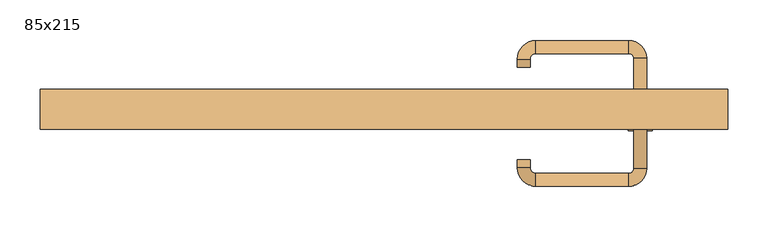
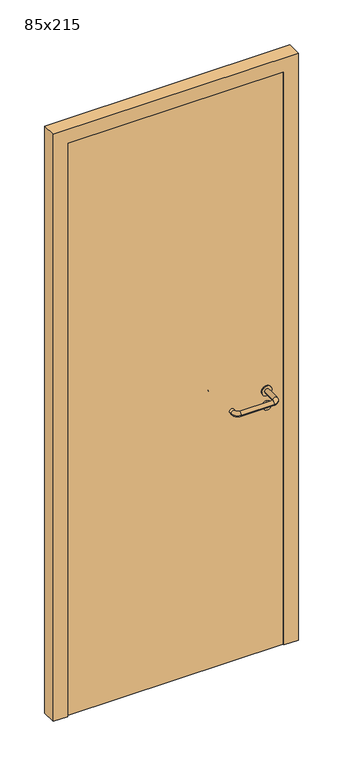
"""IFC4 building model written with IfcOpenShell, lengths in millimetres: door geometry, 85x215."""

from ifc_helpers import new_model, si_unit, point, frame, frame_2d, origin, origin_with_axes, place, context, project, spatial, polyline, circle_curve, ellipse_curve, trimmed, segment, composite_curve, outline, extrude, source, transform, mapped, element, save
from ifc_brep_helpers import plane_surface, cylinder_surface, revolved_surface, advanced_brep


def door_85x215_07e06c30(model_context):
    return source(origin(), model_context, "Body", "SolidModel", [
        extrude(outline(composite_curve([segment(trimmed(circle_curve(frame_2d((897.3605726, 317.0)), 15.0), [point((897.3605726, 332.0))], [point((897.3605726, 302.0))], False, "CARTESIAN"), True, "CONTINUOUS"), segment(trimmed(circle_curve(frame_2d((897.3605726, 317.0)), 15.0), [point((897.3605726, 302.0))], [point((897.3605726, 332.0))], False, "CARTESIAN"), True, "CONTINUOUS")], self_intersect=False), holes=[composite_curve([segment(trimmed(circle_curve(frame_2d((892.5833211, 316.9398032)), 2.0), [point((892.5833211, 318.9398032))], [point((892.5833211, 314.9398032))], True, "CARTESIAN"), True, "CONTINUOUS"), segment(polyline([(892.5833211, 314.9398032), (902.5833211, 314.9398032)]), True, "CONTINUOUS"), segment(trimmed(circle_curve(frame_2d((902.5833211, 316.9398032)), 2.0), [point((902.5833211, 314.9398032))], [point((902.5833211, 318.9398032))], True, "CARTESIAN"), True, "CONTINUOUS"), segment(polyline([(902.5833211, 318.9398032), (892.5833211, 318.9398032)]), True, "CONTINUOUS")], self_intersect=False)]), frame((0.0, -40.0, 0.0), z_axis=(0.0, 1.0, 0.0), x_axis=(0.0, 0.0, 1.0)), (0.0, 0.0, 1.0), 6.35),
        extrude(outline(composite_curve([segment(trimmed(circle_curve(frame_2d((950.0, 317.0)), 17.526), [point((950.0, 334.526))], [point((950.0, 299.474))], False, "CARTESIAN"), True, "CONTINUOUS"), segment(trimmed(circle_curve(frame_2d((950.0, 317.0)), 17.526), [point((950.0, 299.474))], [point((950.0, 334.526))], False, "CARTESIAN"), True, "CONTINUOUS")], self_intersect=False)), frame((0.0, -40.0, 0.0), z_axis=(0.0, 1.0, 0.0), x_axis=(0.0, 0.0, 1.0)), (0.0, 0.0, 1.0), 3.175),
        advanced_brep(
        [(325.0, -40.0, 950.0), (309.0, -40.0, 950.0), (325.0, 13.0, 950.0), (309.0, 13.0, 950.0), (302.8578644, 19.1421356, 950.0), (302.8578644, 35.1421356, 950.0), (187.8578644, 35.1421356, 950.0), (187.8578644, 19.1421356, 950.0), (181.008622, 12.2928932, 950.0), (165.008622, 12.2928932, 950.0), (165.008622, 2.2928932, 950.0), (181.008622, 2.2928932, 950.0)],
        [
            (0, 1, circle_curve(frame((317.0, -40.0, 950.0), z_axis=(0.0, -1.0, 0.0), x_axis=(-1.0, 0.0, 0.0)), 8.0)),
            (1, 0, circle_curve(frame((317.0, -40.0, 950.0), z_axis=(0.0, -1.0, 0.0), x_axis=(-1.0, 0.0, 0.0)), 8.0)),
            (0, 2),
            (2, 3, circle_curve(frame((317.0, 13.0, 950.0), z_axis=(0.0, -1.0, 0.0), x_axis=(-1.0, 0.0, 0.0)), 8.0)),
            (3, 1),
            (3, 2, circle_curve(frame((317.0, 13.0, 950.0), z_axis=(0.0, -1.0, 0.0), x_axis=(-1.0, 0.0, 0.0)), 8.0)),
            (4, 3, circle_curve(frame((302.8578644, 13.0, 950.0), z_axis=(0.0, 0.0, -1.0), x_axis=(1.0, 0.0, 0.0)), 6.1421356)),
            (2, 5, circle_curve(frame((302.8578644, 13.0, 950.0), z_axis=(0.0, 0.0, 1.0), x_axis=(1.0, 0.0, 0.0)), 22.1421356)),
            (5, 4, circle_curve(frame((302.8578644, 27.1421356, 950.0), z_axis=(1.0, 0.0, 0.0), x_axis=(0.0, -1.0, 0.0)), 8.0)),
            (4, 5, circle_curve(frame((302.8578644, 27.1421356, 950.0), z_axis=(1.0, 0.0, 0.0), x_axis=(0.0, -1.0, 0.0)), 8.0)),
            (5, 6),
            (6, 7, circle_curve(frame((187.8578644, 27.1421356, 950.0), z_axis=(1.0, 0.0, 0.0), x_axis=(0.0, -1.0, 0.0)), 8.0)),
            (7, 4),
            (7, 6, circle_curve(frame((187.8578644, 27.1421356, 950.0), z_axis=(1.0, 0.0, 0.0), x_axis=(0.0, -1.0, 0.0)), 8.0)),
            (8, 7, circle_curve(frame((187.8578644, 12.2928932, 950.0), z_axis=(0.0, 0.0, -1.0), x_axis=(0.0, 1.0, 0.0)), 6.8492424)),
            (6, 9, circle_curve(frame((187.8578644, 12.2928932, 950.0), z_axis=(0.0, 0.0, 1.0), x_axis=(0.0, 1.0, 0.0)), 22.8492424)),
            (9, 8, circle_curve(frame((173.008622, 12.2928932, 950.0), z_axis=(0.0, 1.0, 0.0), x_axis=(1.0, 0.0, 0.0)), 8.0)),
            (8, 9, circle_curve(frame((173.008622, 12.2928932, 950.0), z_axis=(0.0, 1.0, 0.0), x_axis=(1.0, 0.0, 0.0)), 8.0)),
            (10, 11, circle_curve(frame((173.008622, 2.2928932, 950.0), z_axis=(0.0, -1.0, 0.0), x_axis=(1.0, 0.0, 0.0)), 8.0)),
            (11, 10, circle_curve(frame((173.008622, 2.2928932, 950.0), z_axis=(0.0, -1.0, 0.0), x_axis=(1.0, 0.0, 0.0)), 8.0)),
            (9, 10),
            (11, 8),
        ],
        [
            plane_surface(frame((317.0, -40.0, 170.0), z_axis=(0.0, -1.0, 0.0), x_axis=(0.0, 0.0, 1.0))),
            cylinder_surface(frame((317.0, -40.0, 950.0), z_axis=(0.0, -1.0, 0.0), x_axis=(-1.0, 0.0, 0.0)), 8.0),
            revolved_surface(trimmed(ellipse_curve(frame((317.0, 13.0, 950.0), z_axis=(0.0, -1.0, 0.0), x_axis=(-1.0, 0.0, 0.0)), 8.0, 8.0), [point((325.0, 13.0, 950.0))], [point((309.0, 13.0, 950.0))], True, "CARTESIAN"), (302.8578644, 13.0, 170.0), (0.0, 0.0, 1.0)),
            revolved_surface(trimmed(ellipse_curve(frame((317.0, 13.0, 950.0), z_axis=(0.0, -1.0, 0.0), x_axis=(-1.0, 0.0, 0.0)), 8.0, 8.0), [point((309.0, 13.0, 950.0))], [point((325.0, 13.0, 950.0))], True, "CARTESIAN"), (302.8578644, 13.0, 170.0), (0.0, 0.0, 1.0)),
            cylinder_surface(frame((302.8578644, 27.1421356, 950.0), z_axis=(1.0, 0.0, 0.0), x_axis=(0.0, -1.0, 0.0)), 8.0),
            revolved_surface(trimmed(ellipse_curve(frame((187.8578644, 27.1421356, 950.0), z_axis=(1.0, 0.0, 0.0), x_axis=(0.0, -1.0, 0.0)), 8.0, 8.0), [point((187.8578644, 35.1421356, 950.0))], [point((187.8578644, 19.1421356, 950.0))], True, "CARTESIAN"), (187.8578644, 12.2928932, 170.0), (0.0, 0.0, 1.0)),
            revolved_surface(trimmed(ellipse_curve(frame((187.8578644, 27.1421356, 950.0), z_axis=(1.0, 0.0, 0.0), x_axis=(0.0, -1.0, 0.0)), 8.0, 8.0), [point((187.8578644, 19.1421356, 950.0))], [point((187.8578644, 35.1421356, 950.0))], True, "CARTESIAN"), (187.8578644, 12.2928932, 170.0), (0.0, 0.0, 1.0)),
            plane_surface(frame((173.008622, 2.2928932, 170.0), z_axis=(0.0, -1.0, 0.0), x_axis=(0.0, 0.0, 1.0))),
            cylinder_surface(frame((173.008622, 12.2928932, 950.0), z_axis=(0.0, 1.0, 0.0), x_axis=(1.0, 0.0, 0.0)), 8.0),
        ],
        [
            (0, [[1, 2]]),
            (1, [[-1, 3, 4, 5]]),
            (1, [[-2, -5, 6, -3]]),
            (2, [[7, -4, 8, 9]]),
            (3, [[-8, -6, -7, 10]]),
            (4, [[-9, 11, 12, 13]]),
            (4, [[-10, -13, 14, -11]]),
            (5, [[15, -12, 16, 17]]),
            (6, [[-16, -14, -15, 18]]),
            (7, [[19, 20]]),
            (8, [[-17, 21, -20, 22]]),
            (8, [[-18, -22, -19, -21]]),
        ],
    ),
        extrude(outline(composite_curve([segment(trimmed(circle_curve(frame_2d((0.0, 15.0)), 15.0), [point((0.0, 30.0))], [point((0.0, 0.0))], False, "CARTESIAN"), True, "CONTINUOUS"), segment(trimmed(circle_curve(frame_2d((0.0, 15.0)), 15.0), [point((0.0, 0.0))], [point((0.0, 30.0))], False, "CARTESIAN"), True, "CONTINUOUS")], self_intersect=False), holes=[composite_curve([segment(trimmed(circle_curve(frame_2d((-4.7772515, 14.9398032)), 2.0), [point((-4.7772515, 16.9398032))], [point((-4.7772515, 12.9398032))], True, "CARTESIAN"), True, "CONTINUOUS"), segment(polyline([(-4.7772515, 12.9398032), (5.2227485, 12.9398032)]), True, "CONTINUOUS"), segment(trimmed(circle_curve(frame_2d((5.2227485, 14.9398032)), 2.0), [point((5.2227485, 12.9398032))], [point((5.2227485, 16.9398032))], True, "CARTESIAN"), True, "CONTINUOUS"), segment(polyline([(5.2227485, 16.9398032), (-4.7772515, 16.9398032)]), True, "CONTINUOUS")], self_intersect=False)]), frame((302.0, -76.35, 897.3605726), z_axis=(-1.8870575173328306e-12, 1.0, 0.0), x_axis=(0.0, 0.0, 1.0)), (0.0, 0.0, 1.0), 6.35),
        extrude(outline(composite_curve([segment(trimmed(circle_curve(frame_2d((0.0, 17.526)), 17.526), [point((0.0, 35.052))], [point((0.0, 0.0))], False, "CARTESIAN"), True, "CONTINUOUS"), segment(trimmed(circle_curve(frame_2d((0.0, 17.526)), 17.526), [point((0.0, 0.0))], [point((0.0, 35.052))], False, "CARTESIAN"), True, "CONTINUOUS")], self_intersect=False)), frame((299.474, -73.175, 950.0), z_axis=(-1.8870575173328306e-12, 1.0, 0.0), x_axis=(0.0, 0.0, 1.0)), (0.0, 0.0, 1.0), 3.175),
        advanced_brep(
        [(325.0, -70.0, 950.0), (309.0, -70.0, 950.0), (309.0, -123.0, 950.0), (325.0, -123.0, 950.0), (302.8578644, -129.1421356, 950.0), (302.8578644, -145.1421356, 950.0), (187.8578644, -129.1421356, 950.0), (187.8578644, -145.1421356, 950.0), (181.008622, -122.2928932, 950.0), (165.008622, -122.2928932, 950.0), (165.008622, -112.2928932, 950.0), (181.008622, -112.2928932, 950.0)],
        [
            (0, 1, circle_curve(frame((317.0, -70.0, 950.0), z_axis=(-1.888672253512351e-12, 1.0, 0.0), x_axis=(-1.0, -1.888672253512351e-12, 0.0)), 8.0)),
            (1, 0, circle_curve(frame((317.0, -70.0, 950.0), z_axis=(-1.888672253512351e-12, 1.0, 0.0), x_axis=(-1.0, -1.888672253512351e-12, 0.0)), 8.0)),
            (1, 2),
            (2, 3, circle_curve(frame((317.0, -123.0, 950.0), z_axis=(-1.888672253512351e-12, 1.0, 0.0), x_axis=(-1.0, -1.888672253512351e-12, 0.0)), 8.0)),
            (3, 0),
            (3, 2, circle_curve(frame((317.0, -123.0, 950.0), z_axis=(-1.888672253512351e-12, 1.0, 0.0), x_axis=(-1.0, -1.888672253512351e-12, 0.0)), 8.0)),
            (4, 5, circle_curve(frame((302.8578644, -137.1421356, 950.0), z_axis=(1.0, 1.913702061528922e-12, 0.0), x_axis=(-1.913702061528922e-12, 1.0, 0.0)), 8.0)),
            (5, 3, circle_curve(frame((302.8578644, -123.0, 950.0), z_axis=(0.0, 0.0, 1.0), x_axis=(1.0, 1.880717803715015e-12, 0.0)), 22.1421356)),
            (2, 4, circle_curve(frame((302.8578644, -123.0, 950.0), z_axis=(0.0, 0.0, -1.0), x_axis=(1.0, 1.880717803715015e-12, 0.0)), 6.1421356)),
            (5, 4, circle_curve(frame((302.8578644, -137.1421356, 950.0), z_axis=(1.0, 1.913702061528922e-12, 0.0), x_axis=(-1.913702061528922e-12, 1.0, 0.0)), 8.0)),
            (4, 6),
            (6, 7, circle_curve(frame((187.8578644, -137.1421356, 950.0), z_axis=(1.0, 1.913719828541269e-12, 0.0), x_axis=(-1.913719828541269e-12, 1.0, 0.0)), 8.0)),
            (7, 5),
            (7, 6, circle_curve(frame((187.8578644, -137.1421356, 950.0), z_axis=(1.0, 1.913719828541269e-12, 0.0), x_axis=(-1.913719828541269e-12, 1.0, 0.0)), 8.0)),
            (8, 9, circle_curve(frame((173.008622, -122.2928932, 950.0), z_axis=(1.890226565746826e-12, -1.0, 0.0), x_axis=(1.0, 1.890226565746826e-12, 0.0)), 8.0)),
            (9, 7, circle_curve(frame((187.8578644, -122.2928932, 950.0), z_axis=(0.0, 0.0, 1.0), x_axis=(1.9120873253494017e-12, -1.0, 0.0)), 22.8492424)),
            (6, 8, circle_curve(frame((187.8578644, -122.2928932, 950.0), z_axis=(0.0, 0.0, -1.0), x_axis=(1.9120873253494017e-12, -1.0, 0.0)), 6.8492424)),
            (9, 8, circle_curve(frame((173.008622, -122.2928932, 950.0), z_axis=(1.890670654956676e-12, -1.0, 0.0), x_axis=(1.0, 1.890670654956676e-12, 0.0)), 8.0)),
            (10, 11, circle_curve(frame((173.008622, -112.2928932, 950.0), z_axis=(-1.8903642334018795e-12, 1.0, 0.0), x_axis=(1.0, 1.8903642334018795e-12, 0.0)), 8.0)),
            (11, 10, circle_curve(frame((173.008622, -112.2928932, 950.0), z_axis=(-1.8903642334018795e-12, 1.0, 0.0), x_axis=(1.0, 1.8903642334018795e-12, 0.0)), 8.0)),
            (8, 11),
            (10, 9),
        ],
        [
            plane_surface(frame((317.0, -70.0, 170.0), z_axis=(-1.8870575173328306e-12, 1.0, 0.0), x_axis=(0.0, 0.0, 1.0))),
            cylinder_surface(frame((317.0, -70.0, 950.0), z_axis=(-1.888672253512351e-12, 1.0, 0.0), x_axis=(-1.0, -1.888672253512351e-12, 0.0)), 8.0),
            revolved_surface(trimmed(ellipse_curve(frame((317.0, -123.0, 950.0), z_axis=(1.8823325398945356e-12, -1.0, 0.0), x_axis=(-1.0, -1.8823325398945356e-12, 0.0)), 8.0, 8.0), [point((325.0, -123.0, 950.0))], [point((309.0, -123.0, 950.0))], True, "CARTESIAN"), (302.8578644, -123.0, 170.0), (0.0, 0.0, 1.0)),
            revolved_surface(trimmed(ellipse_curve(frame((317.0, -123.0, 950.0), z_axis=(1.8823325398945356e-12, -1.0, 0.0), x_axis=(-1.0, -1.8823325398945356e-12, 0.0)), 8.0, 8.0), [point((309.0, -123.0, 950.0))], [point((325.0, -123.0, 950.0))], True, "CARTESIAN"), (302.8578644, -123.0, 170.0), (0.0, 0.0, 1.0)),
            cylinder_surface(frame((302.8578644, -137.1421356, 950.0), z_axis=(1.0, 1.913719828541269e-12, 0.0), x_axis=(-1.913719828541269e-12, 1.0, 0.0)), 8.0),
            revolved_surface(trimmed(ellipse_curve(frame((187.8578644, -137.1421356, 950.0), z_axis=(-1.0, -1.913702061528922e-12, 0.0), x_axis=(-1.913702061528922e-12, 1.0, 0.0)), 8.0, 8.0), [point((187.8578644, -145.1421356, 950.0))], [point((187.8578644, -129.1421356, 950.0))], True, "CARTESIAN"), (187.8578644, -122.2928932, 170.0), (0.0, 0.0, 1.0)),
            revolved_surface(trimmed(ellipse_curve(frame((187.8578644, -137.1421356, 950.0), z_axis=(-1.0, -1.913702061528922e-12, 0.0), x_axis=(-1.913702061528922e-12, 1.0, 0.0)), 8.0, 8.0), [point((187.8578644, -129.1421356, 950.0))], [point((187.8578644, -145.1421356, 950.0))], True, "CARTESIAN"), (187.8578644, -122.2928932, 170.0), (0.0, 0.0, 1.0)),
            plane_surface(frame((173.008622, -112.2928932, 170.0), z_axis=(-1.8887494972223595e-12, 1.0, 0.0), x_axis=(0.0, 0.0, 1.0))),
            cylinder_surface(frame((173.008622, -122.2928932, 950.0), z_axis=(1.8903642334018795e-12, -1.0, 0.0), x_axis=(1.0, 1.8903642334018795e-12, 0.0)), 8.0),
        ],
        [
            (0, [[1, 2]]),
            (1, [[3, 4, 5, -2]]),
            (1, [[-5, 6, -3, -1]]),
            (2, [[7, 8, -4, 9]]),
            (3, [[10, -9, -6, -8]]),
            (4, [[11, 12, 13, -7]]),
            (4, [[-13, 14, -11, -10]]),
            (5, [[15, 16, -12, 17]]),
            (6, [[18, -17, -14, -16]]),
            (7, [[19, 20]]),
            (8, [[21, -19, 22, -15]]),
            (8, [[-22, -20, -21, -18]]),
        ],
    ),
        extrude(outline(polyline([(2100.0, 375.0), (0.0, 375.0), (0.0, 425.0), (2150.0, 425.0), (2150.0, -425.0), (0.0, -425.0), (0.0, -375.0), (2100.0, -375.0), (2100.0, 375.0)])), frame((0.0, -75.0, 0.0), z_axis=(0.0, 1.0, 0.0), x_axis=(0.0, 0.0, 1.0)), (0.0, 0.0, 1.0), 50.0),
        extrude(outline(polyline([(-375.0, -70.0), (-375.0, -40.0), (375.0, -40.0), (375.0, -70.0), (-375.0, -70.0)])), origin_with_axes(), (0.0, 0.0, 1.0), 2100.0),
    ])


if __name__ == "__main__":
    model = new_model("IFC4")
    model_context = context("Model", 3, world=origin())
    ifc_project = project(units=[si_unit("LENGTHUNIT", "METRE", prefix="MILLI")], contexts=[model_context])
    site = spatial("IfcSite", under=ifc_project)
    building = spatial("IfcBuilding", under=site)
    placement = place(None, origin())
    door_85x215_shape = door_85x215_07e06c30(model_context)
    element("IfcDoor", 1, ObjectType="85x215", at=placement, inside=building, context=model_context, shape_type="MappedRepresentation", body=[
        mapped(door_85x215_shape, transform((0.0, 0.0, 0.0), x_axis=(1.0, 0.0, 0.0), y_axis=(0.0, 1.0, 0.0), z_axis=(0.0, 0.0, 1.0))),
    ])
    save(model, "model.ifc")
